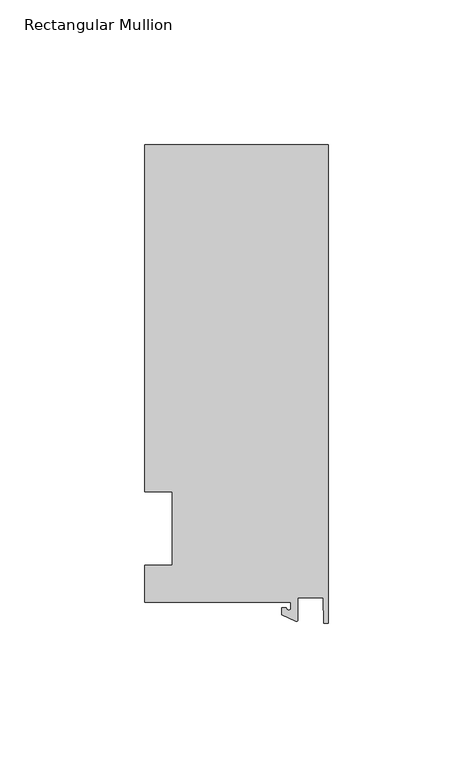
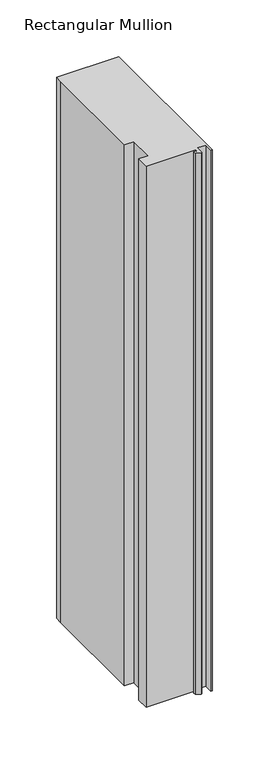
"""IFC4 building model written with IfcOpenShell, lengths in millimetres: member geometry, Rectangular Mullion."""

from ifc_helpers import new_model, si_unit, point, frame, frame_2d, origin, place, context, project, spatial, polyline, circle_curve, trimmed, segment, composite_curve, outline, extrude, source, transform, mapped, element, save


def rectangular_mullion_01e1160f(model_context):
    return source(origin(), model_context, "Body", "SweptSolid", [
        extrude(outline(composite_curve([segment(polyline([(-12.8216721, -25.5984375), (-63.5, -25.5984375), (-63.5, -12.7), (-53.975, -12.7), (-53.975, 12.7), (-63.5, 12.7), (-63.5, 125.075512), (-63.5, 132.822512), (0.0, 132.822512), (0.0, -32.810012), (-1.5566453, -32.810012), (-1.7144124, -23.9227662), (-10.4340721, -23.9227662), (-10.4340721, -31.6795354)]), True, "CONTINUOUS"), segment(trimmed(circle_curve(frame_2d((-10.9420721, -31.6795354)), 0.508), [point((-10.4340721, -31.6795354))], [point((-11.1567622, -32.1399398))], False, "CARTESIAN"), True, "CONTINUOUS"), segment(polyline([(-11.1567622, -32.1399398), (-15.9966721, -29.8830527), (-15.9966721, -27.5208534), (-14.4091721, -27.5208534)]), True, "CONTINUOUS"), segment(trimmed(circle_curve(frame_2d((-13.6154221, -27.5208534)), 0.79375), [point((-14.4091721, -27.5208534))], [point((-12.8216721, -27.5208534))], True, "CARTESIAN"), True, "CONTINUOUS"), segment(polyline([(-12.8216721, -27.5208534), (-12.8216721, -25.5984375)]), True, "CONTINUOUS")], self_intersect=False)), frame((0.0, 0.0, -584.2), z_axis=(0.0, 0.0, 1.0), x_axis=(1.0, 0.0, 0.0)), (0.0, 0.0, 1.0), 584.2),
    ])


if __name__ == "__main__":
    model = new_model("IFC4")
    model_context = context("Model", 3, world=origin())
    ifc_project = project(units=[si_unit("LENGTHUNIT", "METRE", prefix="MILLI")], contexts=[model_context])
    site = spatial("IfcSite", under=ifc_project)
    building = spatial("IfcBuilding", under=site)
    placement = place(None, origin())
    rectangular_mullion_shape = rectangular_mullion_01e1160f(model_context)
    element("IfcMember", 1, ObjectType="Rectangular Mullion", at=placement, inside=building, context=model_context, shape_type="MappedRepresentation", body=[
        mapped(rectangular_mullion_shape, transform((0.0, 0.0, 0.0), x_axis=(1.0, 0.0, 0.0), y_axis=(0.0, 1.0, 0.0), z_axis=(0.0, 0.0, 1.0))),
    ])
    save(model, "model.ifc")
